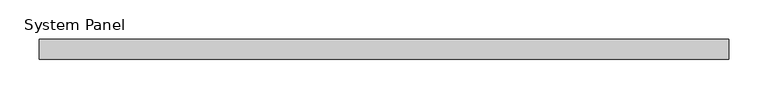
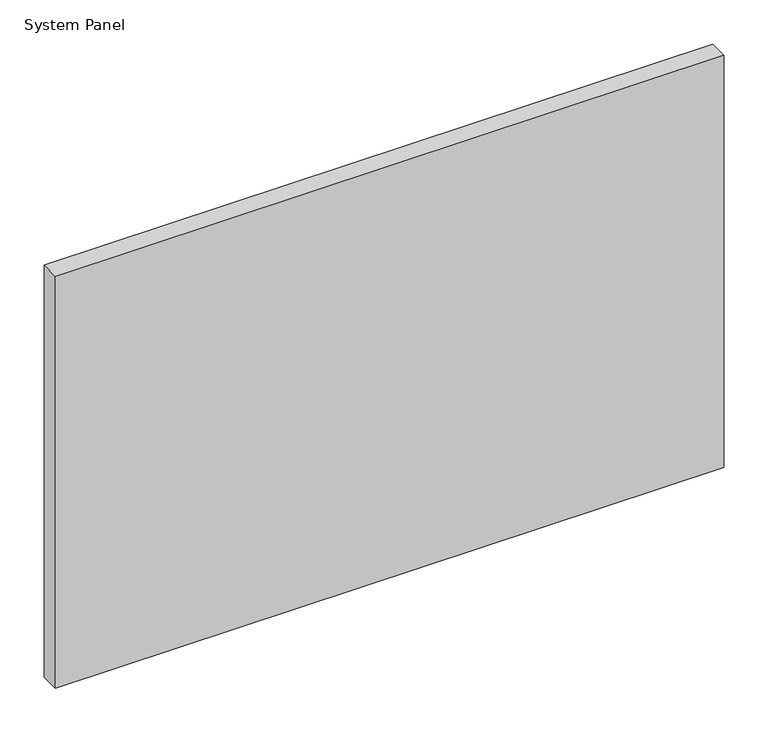
"""IFC4 building model written with IfcOpenShell, lengths in millimetres: plate geometry, System Panel."""

from ifc_helpers import new_model, si_unit, origin, origin_with_axes, place, context, project, spatial, polyline, outline, extrude, source, transform, mapped, element, save


def system_panel_302142b2(model_context):
    return source(origin(), model_context, "Body", "SweptSolid", [
        extrude(outline(polyline([(438.15, 19.05), (-438.15, 19.05), (-438.15, 44.45), (438.15, 44.45), (438.15, 19.05)])), origin_with_axes(), (0.0, 0.0, 1.0), 571.3260192),
    ])


if __name__ == "__main__":
    model = new_model("IFC4")
    model_context = context("Model", 3, world=origin())
    ifc_project = project(units=[si_unit("LENGTHUNIT", "METRE", prefix="MILLI")], contexts=[model_context])
    site = spatial("IfcSite", under=ifc_project)
    building = spatial("IfcBuilding", under=site)
    placement = place(None, origin())
    system_panel_shape = system_panel_302142b2(model_context)
    element("IfcPlate", 1, ObjectType="System Panel", at=placement, inside=building, context=model_context, shape_type="MappedRepresentation", body=[
        mapped(system_panel_shape, transform((0.0, 0.0, 0.0), x_axis=(1.0, 0.0, 0.0), y_axis=(0.0, 1.0, 0.0), z_axis=(0.0, 0.0, 1.0))),
    ])
    save(model, "model.ifc")
